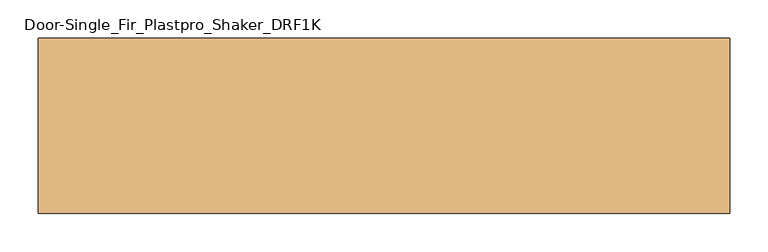
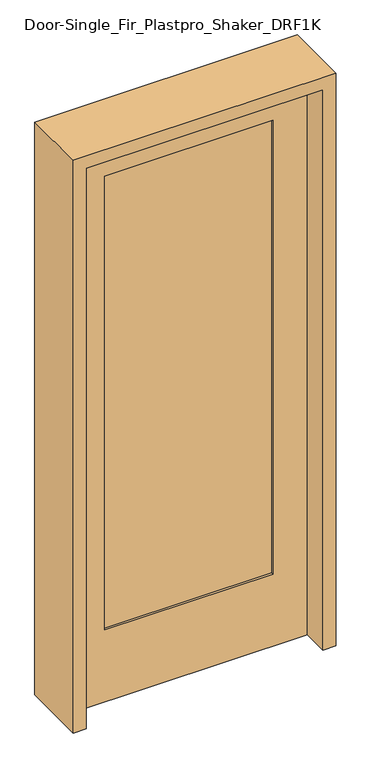
"""IFC4 building model written with IfcOpenShell, lengths in millimetres: door geometry, Door-Single_Fir_Plastpro_Shaker_DRF1K."""

from ifc_helpers import new_model, si_unit, frame, origin, place, context, project, spatial, polyline, outline, extrude, source, transform, mapped, element, save


def door_single_fir_plastpro_shaker_drf1k_6f1642c4(model_context):
    return source(origin(), model_context, "Body", "SweptSolid", [
        extrude(outline(polyline([(2032.0, 406.4), (2032.0, -406.4), (0.0, -406.4), (0.0, 406.4), (2032.0, 406.4)]), holes=[polyline([(1905.0, -288.925), (1905.0, 288.925), (260.35, 288.925), (260.35, -288.925), (1905.0, -288.925)])]), frame((0.0, -20.6375, 0.0), z_axis=(0.0, 1.0, 0.0), x_axis=(0.0, 0.0, 1.0)), (0.0, 0.0, 1.0), 41.275),
        extrude(outline(polyline([(-288.925, -12.7), (-288.925, 14.2875), (288.925, 14.2875), (288.925, -12.7), (-288.925, -12.7)])), frame((0.0, 0.0, 260.35), z_axis=(0.0, 0.0, 1.0), x_axis=(1.0, 0.0, 0.0)), (0.0, 0.0, 1.0), 1644.65),
        extrude(outline(polyline([(0.0, 406.4), (0.0, 450.85), (2076.45, 450.85), (2076.45, -450.85), (0.0, -450.85), (0.0, -406.4), (2032.0, -406.4), (2032.0, 406.4), (0.0, 406.4)])), frame((0.0, -114.3, 0.0), z_axis=(0.0, 1.0, 0.0), x_axis=(0.0, 0.0, 1.0)), (0.0, 0.0, 1.0), 228.6),
    ])


if __name__ == "__main__":
    model = new_model("IFC4")
    model_context = context("Model", 3, world=origin())
    ifc_project = project(units=[si_unit("LENGTHUNIT", "METRE", prefix="MILLI")], contexts=[model_context])
    site = spatial("IfcSite", under=ifc_project)
    building = spatial("IfcBuilding", under=site)
    placement = place(None, origin())
    door_single_fir_plastpro_shaker_drf1k_shape = door_single_fir_plastpro_shaker_drf1k_6f1642c4(model_context)
    element("IfcDoor", 1, ObjectType="Door-Single_Fir_Plastpro_Shaker_DRF1K", at=placement, inside=building, context=model_context, shape_type="MappedRepresentation", body=[
        mapped(door_single_fir_plastpro_shaker_drf1k_shape, transform((0.0, 0.0, 0.0), x_axis=(1.0, 0.0, 0.0), y_axis=(0.0, 1.0, 0.0), z_axis=(0.0, 0.0, 1.0))),
    ])
    save(model, "model.ifc")
